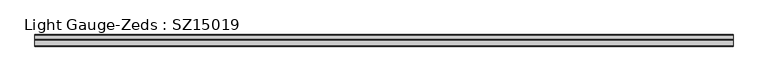
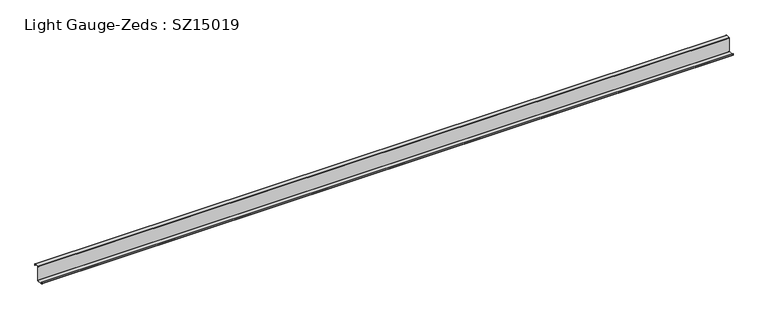
"""IFC4 building model written with IfcOpenShell, lengths in millimetres: beam geometry, Light Gauge-Zeds : SZ15019."""

from ifc_helpers import new_model, si_unit, point, frame, frame_2d, origin, place, context, project, spatial, polyline, circle_curve, trimmed, segment, composite_curve, outline, extrude, source, transform, mapped, element, save


def light_gauge_zeds_sz15019_b680e92d(model_context):
    return source(origin(), model_context, "Body", "SweptSolid", [
        extrude(outline(composite_curve([segment(trimmed(circle_curve(frame_2d((-3.9, -72.1)), 3.9), [point((0.0, -72.1))], [point((-3.9, -76.0))], False, "CARTESIAN"), True, "CONTINUOUS"), segment(polyline([(-3.9, -76.0), (-63.6, -76.0)]), True, "CONTINUOUS"), segment(trimmed(circle_curve(frame_2d((-63.6, -72.1)), 3.9), [point((-63.6, -76.0))], [point((-67.5, -72.1))], False, "CARTESIAN"), True, "CONTINUOUS"), segment(polyline([(-67.5, -72.1), (-67.5, -57.0), (-65.6, -57.0), (-65.6, -72.1)]), True, "CONTINUOUS"), segment(trimmed(circle_curve(frame_2d((-63.6, -72.1)), 2.0), [point((-65.6, -72.1))], [point((-63.6, -74.1))], True, "CARTESIAN"), True, "CONTINUOUS"), segment(polyline([(-63.6, -74.1), (-3.9, -74.1)]), True, "CONTINUOUS"), segment(trimmed(circle_curve(frame_2d((-3.9, -72.1)), 2.0), [point((-3.9, -74.1))], [point((-1.9, -72.1))], True, "CARTESIAN"), True, "CONTINUOUS"), segment(polyline([(-1.9, -72.1), (-1.9, 72.1)]), True, "CONTINUOUS"), segment(trimmed(circle_curve(frame_2d((2.0, 72.1)), 3.9), [point((-1.9, 72.1))], [point((2.0, 76.0))], False, "CARTESIAN"), True, "CONTINUOUS"), segment(polyline([(2.0, 76.0), (46.6, 76.0)]), True, "CONTINUOUS"), segment(trimmed(circle_curve(frame_2d((46.6, 72.1)), 3.9), [point((46.6, 76.0))], [point((50.5, 72.1))], False, "CARTESIAN"), True, "CONTINUOUS"), segment(polyline([(50.5, 72.1), (50.5, 58.0), (48.6, 58.0), (48.6, 72.1)]), True, "CONTINUOUS"), segment(trimmed(circle_curve(frame_2d((46.6, 72.1)), 2.0), [point((48.6, 72.1))], [point((46.6, 74.1))], True, "CARTESIAN"), True, "CONTINUOUS"), segment(polyline([(46.6, 74.1), (2.0, 74.1)]), True, "CONTINUOUS"), segment(trimmed(circle_curve(frame_2d((2.0, 72.1)), 2.0), [point((2.0, 74.1))], [point((0.0, 72.1))], True, "CARTESIAN"), True, "CONTINUOUS"), segment(polyline([(0.0, 72.1), (0.0, -72.1)]), True, "CONTINUOUS")], self_intersect=False)), frame((-3536.5, 0.0, 0.0), z_axis=(1.0, 0.0, 0.0), x_axis=(0.0, 1.0, 0.0)), (0.0, 0.0, 1.0), 7073.0),
    ])


if __name__ == "__main__":
    model = new_model("IFC4")
    model_context = context("Model", 3, world=origin())
    ifc_project = project(units=[si_unit("LENGTHUNIT", "METRE", prefix="MILLI")], contexts=[model_context])
    site = spatial("IfcSite", under=ifc_project)
    building = spatial("IfcBuilding", under=site)
    placement = place(None, origin())
    light_gauge_zeds_sz15019_shape = light_gauge_zeds_sz15019_b680e92d(model_context)
    element("IfcBeam", 1, ObjectType="Light Gauge-Zeds : SZ15019", at=placement, inside=building, context=model_context, shape_type="MappedRepresentation", body=[
        mapped(light_gauge_zeds_sz15019_shape, transform((0.0, 0.0, 0.0), x_axis=(1.0, 0.0, 0.0), y_axis=(0.0, 1.0, 0.0), z_axis=(0.0, 0.0, 1.0))),
    ])
    save(model, "model.ifc")
